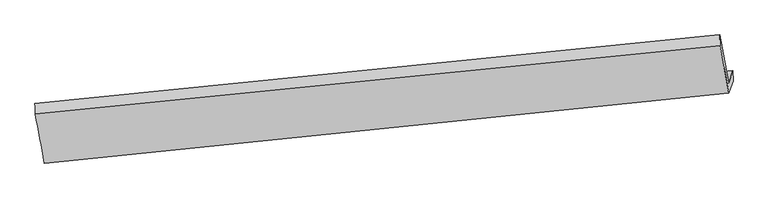
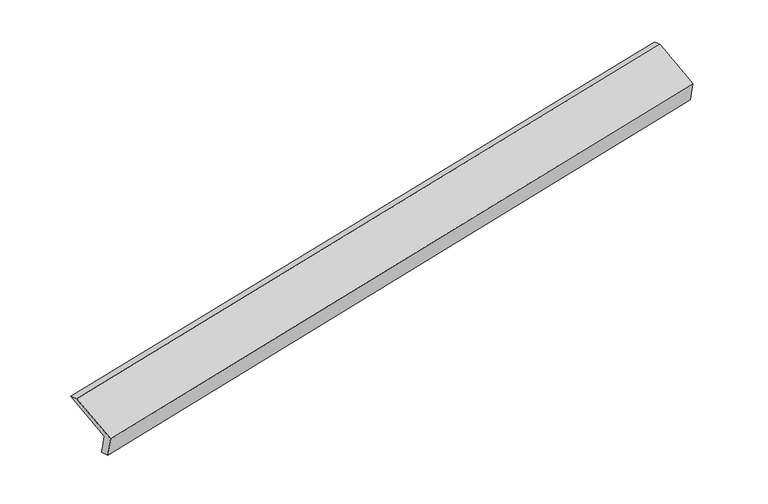
"""IFC4 building model written with IfcOpenShell, lengths in millimetres: proxy geometry."""

from ifc_helpers import new_model, si_unit, frame, origin, place, context, project, spatial, source, transform, mapped, element, save
from ifc_brep_helpers import plane_surface, spline_surface, advanced_brep


def generic_models_19dd2630(model_context):
    return source(origin(), model_context, "Body", "AdvancedBrep", [
        advanced_brep(
        [(-7594.7246574, -2024.1806642, 607.6488699), (-7654.1071809, -2199.6523417, 1003.6485537), (1970.6795488, -1232.7730992, 2873.4168327), (2030.0620723, -1057.3014218, 2477.4171489), (-7587.6771919, -2184.0437648, 657.024602), (2033.1780233, -1199.0159577, 2534.2451492), (-7646.9006909, -2359.0455348, 1051.9638114), (1973.9545243, -1374.0177276, 2929.1843586), (-7775.5724893, -1668.2302919, 1338.7762964), (1852.3725863, -701.0279549, 3209.1613549), (-7781.0148258, -1518.3085146, 1286.5286989), (1847.5191191, -551.0459371, 3157.0287551)],
        [
            (0, 1),
            (1, 2),
            (2, 3),
            (3, 0),
            (4, 0),
            (3, 5),
            (5, 4),
            (6, 4),
            (5, 7),
            (7, 6),
            (8, 6),
            (7, 9),
            (9, 8),
            (10, 8),
            (9, 11),
            (11, 10),
            (1, 10),
            (11, 2),
        ],
        [
            plane_surface(frame((-7624.4159192, -2111.916503, 805.6487118), z_axis=(-0.16506335970640645, 0.9106530702181892, 0.37876783520333307), x_axis=(-0.1358287040687636, -0.40136540427135153, 0.9057904699239746))),
            spline_surface(1, 1, [[(-7587.6771919, -2184.0437648, 657.024602), (2033.1780233, -1199.0159577, 2534.2451492)], [(-7594.7246574, -2024.1806642, 607.6488699), (2030.0620723, -1057.3014218, 2477.4171489)]], [2, 2], [2, 2], [0.0, 1.0], [0.0, 1.0]),
            plane_surface(frame((-7617.2889414, -2271.5446498, 854.4942067), z_axis=(0.16704607834921506, -0.9104521232132493, -0.3783814729140877), x_axis=(0.13582870406880265, 0.4013654042714706, -0.9057904699239161))),
            spline_surface(1, 1, [[(-7775.5724893, -1668.2302919, 1338.7762964), (1852.3725863, -701.0279549, 3209.1613549)], [(-7646.9006909, -2359.0455348, 1051.9638114), (1973.9545243, -1374.0177276, 2929.1843586)]], [2, 2], [2, 2], [0.0, 1.0], [0.0, 1.0]),
            spline_surface(1, 1, [[(-7781.0148258, -1518.3085146, 1286.5286989), (1847.5191191, -551.0459371, 3157.0287551)], [(-7775.5724893, -1668.2302919, 1338.7762964), (1852.3725863, -701.0279549, 3209.1613549)]], [2, 2], [2, 2], [0.0, 1.0], [0.0, 1.0]),
            spline_surface(1, 1, [[(-7654.1071809, -2199.6523417, 1003.6485537), (1970.6795488, -1232.7730992, 2873.4168327)], [(-7781.0148258, -1518.3085146, 1286.5286989), (1847.5191191, -551.0459371, 3157.0287551)]], [2, 2], [2, 2], [0.0, 1.0], [0.0, 1.0]),
            plane_surface(frame((1951.2943124, -1019.1970164, 2863.4089332), z_axis=(0.9769755300498193, 0.0975659761485445, 0.18973585318030073), x_axis=(0.164527738800676, -0.9107066995208717, -0.3788719184802924))),
            plane_surface(frame((-7673.3328394, -1992.2435187, 990.9318054), z_axis=(-0.9761193217882129, -0.10223299589456283, -0.19167546578042127), x_axis=(0.13582870406883482, 0.40136540427138845, -0.9057904699239476))),
        ],
        [
            (0, [[1, 2, 3, 4]]),
            (1, [[5, -4, 6, 7]]),
            (2, [[8, -7, 9, 10]]),
            (3, [[11, -10, 12, 13]]),
            (4, [[14, -13, 15, 16]]),
            (5, [[17, -16, 18, -2]]),
            (6, [[-12, -9, -6, -3, -18, -15]]),
            (7, [[-1, -5, -8, -11, -14, -17]]),
        ],
    ),
    ])


if __name__ == "__main__":
    model = new_model("IFC4")
    model_context = context("Model", 3, world=origin())
    ifc_project = project(units=[si_unit("LENGTHUNIT", "METRE", prefix="MILLI")], contexts=[model_context])
    site = spatial("IfcSite", under=ifc_project)
    building = spatial("IfcBuilding", under=site)
    placement = place(None, origin())
    generic_models_shape = generic_models_19dd2630(model_context)
    element("IfcBuildingElementProxy", 1, Name="Generic Models", at=placement, inside=building, context=model_context, shape_type="MappedRepresentation", body=[
        mapped(generic_models_shape, transform((0.0, 0.0, 0.0), x_axis=(1.0, 0.0, 0.0), y_axis=(0.0, 1.0, 0.0), z_axis=(0.0, 0.0, 1.0))),
    ])
    save(model, "model.ifc")
